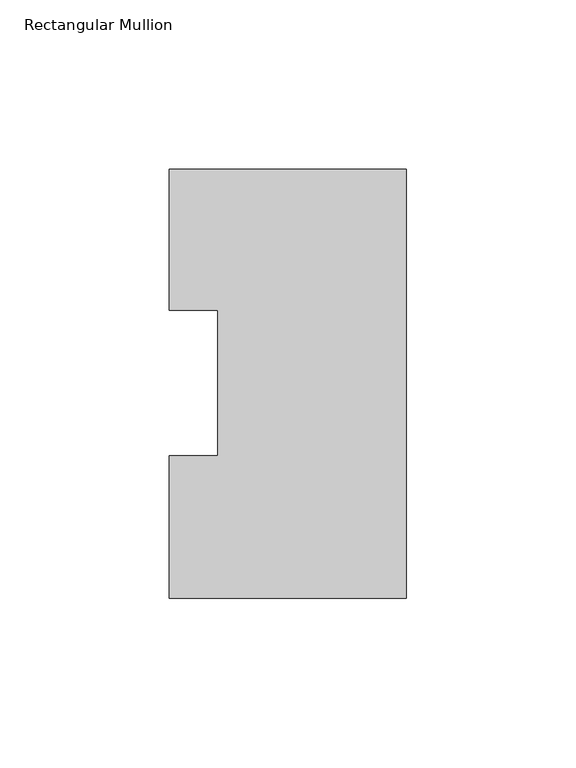
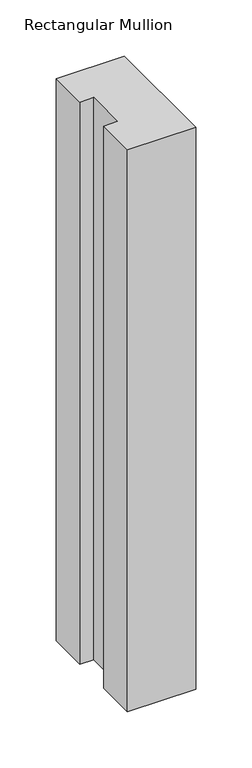
"""IFC4 building model written with IfcOpenShell, lengths in millimetres: member geometry, Rectangular Mullion."""

from ifc_helpers import new_model, si_unit, frame, origin, place, context, project, spatial, polyline, outline, extrude, source, transform, mapped, element, save


def rectangular_mullion_6df9e2cd(model_context):
    return source(origin(), model_context, "Body", "SweptSolid", [
        extrude(outline(polyline([(-55.5625, 91.7773438), (-69.85, 91.7773438), (-69.85, 133.3825438), (0.0, 133.3825438), (0.0, 6.8905438), (-69.85, 6.8905438), (-69.85, 48.9275438), (-55.5625, 48.9275438), (-55.5625, 91.7773438)])), frame((0.0, 0.0, -609.5976187), z_axis=(0.0, 0.0, 1.0), x_axis=(1.0, 0.0, 0.0)), (0.0, 0.0, 1.0), 609.5976187),
    ])


if __name__ == "__main__":
    model = new_model("IFC4")
    model_context = context("Model", 3, world=origin())
    ifc_project = project(units=[si_unit("LENGTHUNIT", "METRE", prefix="MILLI")], contexts=[model_context])
    site = spatial("IfcSite", under=ifc_project)
    building = spatial("IfcBuilding", under=site)
    placement = place(None, origin())
    rectangular_mullion_shape = rectangular_mullion_6df9e2cd(model_context)
    element("IfcMember", 1, ObjectType="Rectangular Mullion", at=placement, inside=building, context=model_context, shape_type="MappedRepresentation", body=[
        mapped(rectangular_mullion_shape, transform((0.0, 0.0, 0.0), x_axis=(1.0, 0.0, 0.0), y_axis=(0.0, 1.0, 0.0), z_axis=(0.0, 0.0, 1.0))),
    ])
    save(model, "model.ifc")
